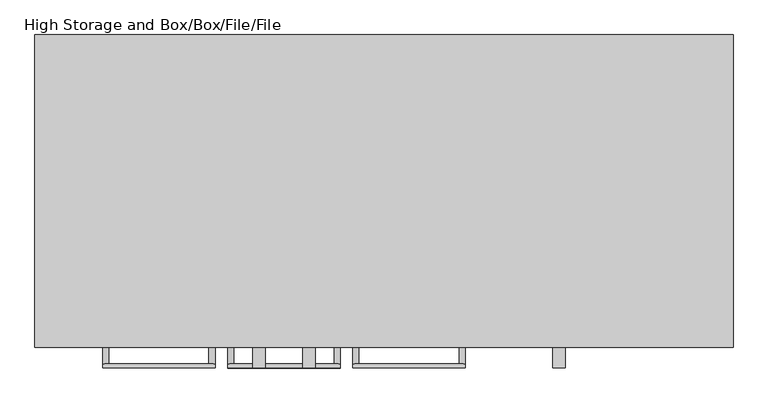
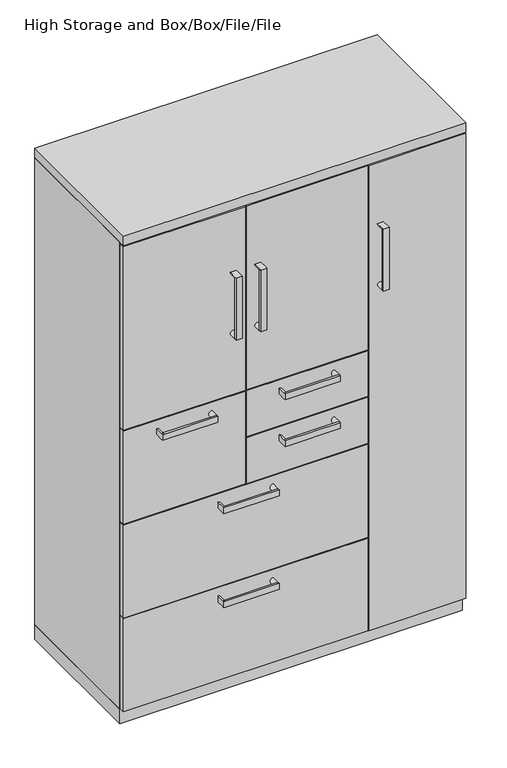
"""IFC4 building model written with IfcOpenShell, lengths in millimetres: furniture geometry, High Storage and Box/Box/File/File."""

from ifc_helpers import new_model, si_unit, frame, origin, origin_with_axes, place, context, project, spatial, polyline, circle_curve, outline, extrude, source, transform, mapped, element, save
from ifc_brep_helpers import plane_surface, cylinder_surface, advanced_brep


def high_storage_and_box_box_file_file_324f627b(model_context):
    return source(origin(), model_context, "Body", "SolidModel", [
        advanced_brep(
        [(-257.1750091, -507.9999879, 944.5625), (-428.6249909, -507.9999879, 944.5625), (-428.6249909, -507.9999879, 925.5125), (-257.1750091, -507.9999879, 925.5125), (-257.1750091, -501.6500121, 925.5125), (-428.6249909, -501.6500121, 925.5125), (-428.6249909, -501.6500121, 944.5625), (-257.1750091, -501.6500121, 944.5625), (-257.1750091, -476.25, 925.5125), (-257.1750091, -476.25, 944.5625), (-428.6249909, -476.25, 925.5125), (-428.6249909, -476.25, 944.5625)],
        [
            (0, 1),
            (1, 2),
            (2, 3),
            (3, 0),
            (4, 5),
            (5, 6, circle_curve(frame((-428.6249909, -501.6500121, 935.0375), z_axis=(0.0, -1.0, 0.0), x_axis=(1.0, 0.0, 0.0)), 9.525)),
            (6, 7),
            (7, 4, circle_curve(frame((-257.1750091, -501.6500121, 935.0375), z_axis=(0.0, -1.0, 0.0), x_axis=(-1.0, 0.0, 0.0)), 9.525)),
            (2, 5),
            (4, 3),
            (8, 9, circle_curve(frame((-257.1750091, -476.25, 935.0375), z_axis=(0.0, 1.0, 0.0), x_axis=(-1.0, 0.0, 0.0)), 9.525)),
            (9, 8),
            (8, 4),
            (7, 9),
            (7, 0),
            (10, 11),
            (11, 10, circle_curve(frame((-428.6249909, -476.25, 935.0375), z_axis=(0.0, 1.0, 0.0), x_axis=(1.0, 0.0, 0.0)), 9.525)),
            (11, 6),
            (5, 10),
            (1, 6),
        ],
        [
            plane_surface(frame((-428.6249909, -507.9999879, 944.5625), z_axis=(0.0, -1.0, 0.0), x_axis=(-1.0, 0.0, 0.0))),
            plane_surface(frame((-428.6249909, -501.6500121, 944.5625), z_axis=(0.0, 1.0, 0.0), x_axis=(1.0, 0.0, 0.0))),
            plane_surface(frame((-428.6249909, -507.9999879, 925.5125), z_axis=(0.0, 0.0, -1.0), x_axis=(0.0, 1.0, 0.0))),
            plane_surface(frame((-257.1750091, -476.25, 944.5625), z_axis=(0.0, 1.0, 0.0), x_axis=(0.0, 0.0, -1.0))),
            cylinder_surface(frame((-257.1750091, -476.25, 935.0375), z_axis=(0.0, -1.0, 0.0), x_axis=(-1.0, 0.0, 0.0)), 9.525),
            plane_surface(frame((-257.1750091, -501.6500121, 925.5125), z_axis=(1.0, 0.0, 0.0), x_axis=(0.0, 1.0, 0.0))),
            plane_surface(frame((-419.0999909, -476.25, 935.0375), z_axis=(0.0, 1.0, 0.0), x_axis=(0.0, 0.0, -1.0))),
            cylinder_surface(frame((-428.6249909, -476.25, 935.0375), z_axis=(0.0, -1.0, 0.0), x_axis=(1.0, 0.0, 0.0)), 9.525),
            plane_surface(frame((-428.6249909, -501.6500121, 944.5625), z_axis=(-1.0, 0.0, 0.0), x_axis=(0.0, 1.0, 0.0))),
            plane_surface(frame((-257.1750091, -507.9999879, 944.5625), z_axis=(0.0, 0.0, 1.0), x_axis=(0.0, 1.0, 0.0))),
        ],
        [
            (0, [[1, 2, 3, 4]]),
            (1, [[5, 6, 7, 8]]),
            (2, [[-3, 9, -5, 10]]),
            (3, [[11, 12]]),
            (4, [[-11, 13, -8, 14]]),
            (5, [[-12, -14, 15, -4, -10, -13]]),
            (6, [[16, 17]]),
            (7, [[-17, 18, -6, 19]]),
            (8, [[-16, -19, -9, -2, 20, -18]]),
            (9, [[-1, -15, -7, -20]]),
        ],
    ),
        extrude(outline(polyline([(-153.9875, -457.2), (-153.9875, -476.25), (-531.8125, -476.25), (-531.8125, -457.2), (-153.9875, -457.2)])), frame((0.0, 0.0, 666.75), z_axis=(0.0, 0.0, 1.0), x_axis=(1.0, 0.0, 0.0)), (0.0, 0.0, 1.0), 304.8),
        advanced_brep(
        [(-104.775, -476.25, 1377.95), (-123.825, -476.25, 1377.95), (-104.775, -501.6500121, 1377.95), (-123.825, -501.6500121, 1377.95), (-104.775, -476.25, 1174.75), (-123.825, -476.25, 1174.75), (-123.825, -501.6500121, 1174.75), (-104.775, -501.6500121, 1174.75), (-123.825, -507.9999879, 1174.75), (-104.775, -507.9999879, 1174.75), (-104.775, -507.9999879, 1377.95), (-123.825, -507.9999879, 1377.95)],
        [
            (0, 1, circle_curve(frame((-114.3, -476.25, 1377.95), z_axis=(0.0, 1.0, 0.0), x_axis=(0.0, 0.0, -1.0)), 9.525)),
            (1, 0),
            (0, 2),
            (2, 3, circle_curve(frame((-114.3, -501.6500121, 1377.95), z_axis=(0.0, 1.0, 0.0), x_axis=(0.0, 0.0, -1.0)), 9.525)),
            (3, 1),
            (4, 5),
            (5, 4, circle_curve(frame((-114.3, -476.25, 1174.75), z_axis=(0.0, 1.0, 0.0), x_axis=(0.0, 0.0, 1.0)), 9.525)),
            (5, 6),
            (6, 7, circle_curve(frame((-114.3, -501.6500121, 1174.75), z_axis=(0.0, 1.0, 0.0), x_axis=(0.0, 0.0, 1.0)), 9.525)),
            (7, 4),
            (8, 9),
            (9, 10),
            (10, 11),
            (11, 8),
            (6, 3),
            (2, 7),
            (11, 3),
            (6, 8),
            (10, 2),
            (9, 7),
        ],
        [
            plane_surface(frame((-114.3, -476.25, 1368.425), z_axis=(0.0, 1.0, 0.0), x_axis=(1.0, 0.0, 0.0))),
            cylinder_surface(frame((-114.3, -476.25, 1377.95), z_axis=(0.0, -1.0, 0.0), x_axis=(0.0, 0.0, -1.0)), 9.525),
            plane_surface(frame((-123.825, -476.25, 1174.75), z_axis=(0.0, 1.0, 0.0), x_axis=(1.0, 0.0, 0.0))),
            cylinder_surface(frame((-114.3, -476.25, 1174.75), z_axis=(0.0, -1.0, 0.0), x_axis=(0.0, 0.0, 1.0)), 9.525),
            plane_surface(frame((-123.825, -507.9999879, 1377.95), z_axis=(0.0, -1.0, 0.0), x_axis=(0.0, 0.0, 1.0))),
            plane_surface(frame((-123.825, -501.6500121, 1377.95), z_axis=(0.0, 1.0, 0.0), x_axis=(0.0, 0.0, -1.0))),
            plane_surface(frame((-123.825, -507.9999879, 1174.75), z_axis=(-1.0, 0.0, 0.0), x_axis=(0.0, 1.0, 0.0))),
            plane_surface(frame((-123.825, -507.9999879, 1377.95), z_axis=(0.0, 0.0, 1.0), x_axis=(0.0, 1.0, 0.0))),
            plane_surface(frame((-104.775, -507.9999879, 1377.95), z_axis=(1.0, 0.0, 0.0), x_axis=(0.0, 1.0, 0.0))),
            plane_surface(frame((-104.775, -507.9999879, 1174.75), z_axis=(0.0, 0.0, -1.0), x_axis=(0.0, 1.0, 0.0))),
        ],
        [
            (0, [[1, 2]]),
            (1, [[3, 4, 5, -1]]),
            (2, [[6, 7]]),
            (3, [[8, 9, 10, -7]]),
            (4, [[11, 12, 13, 14]]),
            (5, [[-9, 15, -4, 16]]),
            (6, [[17, -15, 18, -14]]),
            (7, [[19, -3, -2, -5, -17, -13]]),
            (8, [[20, -16, -19, -12]]),
            (9, [[-18, -8, -6, -10, -20, -11]]),
        ],
    ),
        extrude(outline(polyline([(227.0125, -476.25), (-150.8125, -476.25), (-150.8125, -457.2), (227.0125, -457.2), (227.0125, -476.25)])), frame((0.0, 0.0, 974.725), z_axis=(0.0, 0.0, 1.0), x_axis=(1.0, 0.0, 0.0)), (0.0, 0.0, 1.0), 603.25),
        advanced_brep(
        [(123.8249909, -507.9999879, 944.5625), (-47.6249909, -507.9999879, 944.5625), (-47.6249909, -507.9999879, 925.5125), (123.8249909, -507.9999879, 925.5125), (123.8249909, -501.6500121, 925.5125), (-47.6249909, -501.6500121, 925.5125), (-47.6249909, -501.6500121, 944.5625), (123.8249909, -501.6500121, 944.5625), (123.8249909, -476.25, 925.5125), (123.8249909, -476.25, 944.5625), (-47.6249909, -476.25, 925.5125), (-47.6249909, -476.25, 944.5625)],
        [
            (0, 1),
            (1, 2),
            (2, 3),
            (3, 0),
            (4, 5),
            (5, 6, circle_curve(frame((-47.6249909, -501.6500121, 935.0375), z_axis=(0.0, -1.0, 0.0), x_axis=(1.0, 0.0, 0.0)), 9.525)),
            (6, 7),
            (7, 4, circle_curve(frame((123.8249909, -501.6500121, 935.0375), z_axis=(0.0, -1.0, 0.0), x_axis=(-1.0, 0.0, 0.0)), 9.525)),
            (2, 5),
            (4, 3),
            (8, 9, circle_curve(frame((123.8249909, -476.25, 935.0375), z_axis=(0.0, 1.0, 0.0), x_axis=(-1.0, 0.0, 0.0)), 9.525)),
            (9, 8),
            (8, 4),
            (7, 9),
            (7, 0),
            (10, 11),
            (11, 10, circle_curve(frame((-47.6249909, -476.25, 935.0375), z_axis=(0.0, 1.0, 0.0), x_axis=(1.0, 0.0, 0.0)), 9.525)),
            (11, 6),
            (5, 10),
            (1, 6),
        ],
        [
            plane_surface(frame((-47.6249909, -507.9999879, 944.5625), z_axis=(0.0, -1.0, 0.0), x_axis=(-1.0, 0.0, 0.0))),
            plane_surface(frame((-47.6249909, -501.6500121, 944.5625), z_axis=(0.0, 1.0, 0.0), x_axis=(1.0, 0.0, 0.0))),
            plane_surface(frame((-47.6249909, -507.9999879, 925.5125), z_axis=(0.0, 0.0, -1.0), x_axis=(0.0, 1.0, 0.0))),
            plane_surface(frame((123.8249909, -476.25, 944.5625), z_axis=(0.0, 1.0, 0.0), x_axis=(0.0, 0.0, -1.0))),
            cylinder_surface(frame((123.8249909, -476.25, 935.0375), z_axis=(0.0, -1.0, 0.0), x_axis=(-1.0, 0.0, 0.0)), 9.525),
            plane_surface(frame((123.8249909, -501.6500121, 925.5125), z_axis=(1.0, 0.0, 0.0), x_axis=(0.0, 1.0, 0.0))),
            plane_surface(frame((-38.0999909, -476.25, 935.0375), z_axis=(0.0, 1.0, 0.0), x_axis=(0.0, 0.0, -1.0))),
            cylinder_surface(frame((-47.6249909, -476.25, 935.0375), z_axis=(0.0, -1.0, 0.0), x_axis=(1.0, 0.0, 0.0)), 9.525),
            plane_surface(frame((-47.6249909, -501.6500121, 944.5625), z_axis=(-1.0, 0.0, 0.0), x_axis=(0.0, 1.0, 0.0))),
            plane_surface(frame((123.8249909, -507.9999879, 944.5625), z_axis=(0.0, 0.0, 1.0), x_axis=(0.0, 1.0, 0.0))),
        ],
        [
            (0, [[1, 2, 3, 4]]),
            (1, [[5, 6, 7, 8]]),
            (2, [[-3, 9, -5, 10]]),
            (3, [[11, 12]]),
            (4, [[-11, 13, -8, 14]]),
            (5, [[-12, -14, 15, -4, -10, -13]]),
            (6, [[16, 17]]),
            (7, [[-17, 18, -6, 19]]),
            (8, [[-16, -19, -9, -2, 20, -18]]),
            (9, [[-1, -15, -7, -20]]),
        ],
    ),
        extrude(outline(polyline([(227.0125, -457.2), (227.0125, -476.25), (-150.8125, -476.25), (-150.8125, -457.2), (227.0125, -457.2)])), frame((0.0, 0.0, 820.7375), z_axis=(0.0, 0.0, 1.0), x_axis=(1.0, 0.0, 0.0)), (0.0, 0.0, 1.0), 150.8125),
        advanced_brep(
        [(-238.1249909, -476.25, 617.5375), (-238.1249909, -476.25, 636.5875), (-238.1249909, -501.6500121, 636.5875), (-238.1249909, -501.6500121, 617.5375), (-238.1249909, -507.9999879, 617.5375), (-238.1249909, -507.9999879, 636.5875), (-66.6750091, -476.25, 617.5375), (-66.6750091, -476.25, 636.5875), (-66.6750091, -501.6500121, 617.5375), (-66.6750091, -501.6500121, 636.5875), (-66.6750091, -507.9999879, 636.5875), (-66.6750091, -507.9999879, 617.5375)],
        [
            (0, 1),
            (1, 0, circle_curve(frame((-238.1249909, -476.25, 627.0625), z_axis=(0.0, 1.0, 0.0), x_axis=(1.0, 0.0, 0.0)), 9.525)),
            (1, 2),
            (2, 3, circle_curve(frame((-238.1249909, -501.6500121, 627.0625), z_axis=(0.0, 1.0, 0.0), x_axis=(1.0, 0.0, 0.0)), 9.525)),
            (3, 0),
            (3, 4),
            (4, 5),
            (5, 2),
            (6, 7, circle_curve(frame((-66.6750091, -476.25, 627.0625), z_axis=(0.0, 1.0, 0.0), x_axis=(-1.0, 0.0, 0.0)), 9.525)),
            (7, 6),
            (6, 8),
            (8, 9, circle_curve(frame((-66.6750091, -501.6500121, 627.0625), z_axis=(0.0, 1.0, 0.0), x_axis=(-1.0, 0.0, 0.0)), 9.525)),
            (9, 7),
            (9, 10),
            (10, 11),
            (11, 8),
            (10, 5),
            (4, 11),
            (8, 3),
            (2, 9),
        ],
        [
            plane_surface(frame((-228.5999909, -476.25, 627.0625), z_axis=(0.0, 1.0, 0.0), x_axis=(0.0, 0.0, -1.0))),
            cylinder_surface(frame((-238.1249909, -476.25, 627.0625), z_axis=(0.0, -1.0, 0.0), x_axis=(1.0, 0.0, 0.0)), 9.525),
            plane_surface(frame((-238.1249909, -501.6500121, 636.5875), z_axis=(-1.0, 0.0, 0.0), x_axis=(0.0, 1.0, 0.0))),
            plane_surface(frame((-66.6750091, -476.25, 636.5875), z_axis=(0.0, 1.0, 0.0), x_axis=(0.0, 0.0, -1.0))),
            cylinder_surface(frame((-66.6750091, -476.25, 627.0625), z_axis=(0.0, -1.0, 0.0), x_axis=(-1.0, 0.0, 0.0)), 9.525),
            plane_surface(frame((-66.6750091, -501.6500121, 617.5375), z_axis=(1.0, 0.0, 0.0), x_axis=(0.0, 1.0, 0.0))),
            plane_surface(frame((-238.1249909, -507.9999879, 636.5875), z_axis=(0.0, -1.0, 0.0), x_axis=(-1.0, 0.0, 0.0))),
            plane_surface(frame((-238.1249909, -501.6500121, 636.5875), z_axis=(0.0, 1.0, 0.0), x_axis=(1.0, 0.0, 0.0))),
            plane_surface(frame((-238.1249909, -507.9999879, 617.5375), z_axis=(0.0, 0.0, -1.0), x_axis=(0.0, 1.0, 0.0))),
            plane_surface(frame((-66.6750091, -507.9999879, 636.5875), z_axis=(0.0, 0.0, 1.0), x_axis=(0.0, 1.0, 0.0))),
        ],
        [
            (0, [[1, 2]]),
            (1, [[-2, 3, 4, 5]]),
            (2, [[-1, -5, 6, 7, 8, -3]]),
            (3, [[9, 10]]),
            (4, [[-9, 11, 12, 13]]),
            (5, [[-10, -13, 14, 15, 16, -11]]),
            (6, [[17, -7, 18, -15]]),
            (7, [[19, -4, 20, -12]]),
            (8, [[-18, -6, -19, -16]]),
            (9, [[-17, -14, -20, -8]]),
        ],
    ),
        extrude(outline(polyline([(227.0125, -457.2), (227.0125, -476.25), (-531.8125, -476.25), (-531.8125, -457.2), (227.0125, -457.2)])), frame((0.0, 0.0, 358.775), z_axis=(0.0, 0.0, 1.0), x_axis=(1.0, 0.0, 0.0)), (0.0, 0.0, 1.0), 304.8),
        advanced_brep(
        [(-200.025, -476.25, 1377.95), (-180.975, -476.25, 1377.95), (-180.975, -501.6500121, 1377.95), (-200.025, -501.6500121, 1377.95), (-200.025, -476.25, 1174.75), (-180.975, -476.25, 1174.75), (-200.025, -501.6500121, 1174.75), (-180.975, -501.6500121, 1174.75), (-180.975, -507.9999879, 1174.75), (-180.975, -507.9999879, 1377.95), (-200.025, -507.9999879, 1377.95), (-200.025, -507.9999879, 1174.75)],
        [
            (0, 1),
            (1, 0, circle_curve(frame((-190.5, -476.25, 1377.95), z_axis=(0.0, 1.0, 0.0), x_axis=(0.0, 0.0, -1.0)), 9.525)),
            (1, 2),
            (2, 3, circle_curve(frame((-190.5, -501.6500121, 1377.95), z_axis=(0.0, 1.0, 0.0), x_axis=(0.0, 0.0, -1.0)), 9.525)),
            (3, 0),
            (4, 5, circle_curve(frame((-190.5, -476.25, 1174.75), z_axis=(0.0, 1.0, 0.0), x_axis=(0.0, 0.0, 1.0)), 9.525)),
            (5, 4),
            (4, 6),
            (6, 7, circle_curve(frame((-190.5, -501.6500121, 1174.75), z_axis=(0.0, 1.0, 0.0), x_axis=(0.0, 0.0, 1.0)), 9.525)),
            (7, 5),
            (8, 9),
            (9, 10),
            (10, 11),
            (11, 8),
            (6, 3),
            (2, 7),
            (8, 7),
            (2, 9),
            (3, 10),
            (6, 11),
        ],
        [
            plane_surface(frame((-190.5, -476.25, 1368.425), z_axis=(0.0, 1.0, 0.0), x_axis=(-1.0, 0.0, 0.0))),
            cylinder_surface(frame((-190.5, -476.25, 1377.95), z_axis=(0.0, -1.0, 0.0), x_axis=(0.0, 0.0, -1.0)), 9.525),
            plane_surface(frame((-180.975, -476.25, 1174.75), z_axis=(0.0, 1.0, 0.0), x_axis=(-1.0, 0.0, 0.0))),
            cylinder_surface(frame((-190.5, -476.25, 1174.75), z_axis=(0.0, -1.0, 0.0), x_axis=(0.0, 0.0, 1.0)), 9.525),
            plane_surface(frame((-180.975, -507.9999879, 1377.95), z_axis=(0.0, -1.0, 0.0), x_axis=(0.0, 0.0, 1.0))),
            plane_surface(frame((-180.975, -501.6500121, 1377.95), z_axis=(0.0, 1.0, 0.0), x_axis=(0.0, 0.0, -1.0))),
            plane_surface(frame((-180.975, -507.9999879, 1174.75), z_axis=(1.0, 0.0, 0.0), x_axis=(0.0, 1.0, 0.0))),
            plane_surface(frame((-180.975, -507.9999879, 1377.95), z_axis=(0.0, 0.0, 1.0), x_axis=(0.0, 1.0, 0.0))),
            plane_surface(frame((-200.025, -507.9999879, 1377.95), z_axis=(-1.0, 0.0, 0.0), x_axis=(0.0, 1.0, 0.0))),
            plane_surface(frame((-200.025, -507.9999879, 1174.75), z_axis=(0.0, 0.0, -1.0), x_axis=(0.0, 1.0, 0.0))),
        ],
        [
            (0, [[1, 2]]),
            (1, [[-2, 3, 4, 5]]),
            (2, [[6, 7]]),
            (3, [[-6, 8, 9, 10]]),
            (4, [[11, 12, 13, 14]]),
            (5, [[15, -4, 16, -9]]),
            (6, [[-11, 17, -16, 18]]),
            (7, [[-12, -18, -3, -1, -5, 19]]),
            (8, [[-13, -19, -15, 20]]),
            (9, [[-14, -20, -8, -7, -10, -17]]),
        ],
    ),
        extrude(outline(polyline([(-531.8125, -476.25), (-531.8125, -457.2), (-153.9875, -457.2), (-153.9875, -476.25), (-531.8125, -476.25)])), frame((0.0, 0.0, 974.725), z_axis=(0.0, 0.0, 1.0), x_axis=(1.0, 0.0, 0.0)), (0.0, 0.0, 1.0), 603.25),
        advanced_brep(
        [(123.8249909, -507.9999879, 790.575), (-47.6249909, -507.9999879, 790.575), (-47.6249909, -507.9999879, 771.525), (123.8249909, -507.9999879, 771.525), (123.8249909, -501.6500121, 771.525), (-47.6249909, -501.6500121, 771.525), (-47.6249909, -501.6500121, 790.575), (123.8249909, -501.6500121, 790.575), (123.8249909, -476.25, 771.525), (123.8249909, -476.25, 790.575), (-47.6249909, -476.25, 771.525), (-47.6249909, -476.25, 790.575)],
        [
            (0, 1),
            (1, 2),
            (2, 3),
            (3, 0),
            (4, 5),
            (5, 6, circle_curve(frame((-47.6249909, -501.6500121, 781.05), z_axis=(0.0, -1.0, 0.0), x_axis=(1.0, 0.0, 0.0)), 9.525)),
            (6, 7),
            (7, 4, circle_curve(frame((123.8249909, -501.6500121, 781.05), z_axis=(0.0, -1.0, 0.0), x_axis=(-1.0, 0.0, 0.0)), 9.525)),
            (2, 5),
            (4, 3),
            (8, 9, circle_curve(frame((123.8249909, -476.25, 781.05), z_axis=(0.0, 1.0, 0.0), x_axis=(-1.0, 0.0, 0.0)), 9.525)),
            (9, 8),
            (8, 4),
            (7, 9),
            (7, 0),
            (10, 11),
            (11, 10, circle_curve(frame((-47.6249909, -476.25, 781.05), z_axis=(0.0, 1.0, 0.0), x_axis=(1.0, 0.0, 0.0)), 9.525)),
            (11, 6),
            (5, 10),
            (1, 6),
        ],
        [
            plane_surface(frame((-47.6249909, -507.9999879, 790.575), z_axis=(0.0, -1.0, 0.0), x_axis=(-1.0, 0.0, 0.0))),
            plane_surface(frame((-47.6249909, -501.6500121, 790.575), z_axis=(0.0, 1.0, 0.0), x_axis=(1.0, 0.0, 0.0))),
            plane_surface(frame((-47.6249909, -507.9999879, 771.525), z_axis=(0.0, 0.0, -1.0), x_axis=(0.0, 1.0, 0.0))),
            plane_surface(frame((123.8249909, -476.25, 790.575), z_axis=(0.0, 1.0, 0.0), x_axis=(0.0, 0.0, -1.0))),
            cylinder_surface(frame((123.8249909, -476.25, 781.05), z_axis=(0.0, -1.0, 0.0), x_axis=(-1.0, 0.0, 0.0)), 9.525),
            plane_surface(frame((123.8249909, -501.6500121, 771.525), z_axis=(1.0, 0.0, 0.0), x_axis=(0.0, 1.0, 0.0))),
            plane_surface(frame((-38.0999909, -476.25, 781.05), z_axis=(0.0, 1.0, 0.0), x_axis=(0.0, 0.0, -1.0))),
            cylinder_surface(frame((-47.6249909, -476.25, 781.05), z_axis=(0.0, -1.0, 0.0), x_axis=(1.0, 0.0, 0.0)), 9.525),
            plane_surface(frame((-47.6249909, -501.6500121, 790.575), z_axis=(-1.0, 0.0, 0.0), x_axis=(0.0, 1.0, 0.0))),
            plane_surface(frame((123.8249909, -507.9999879, 790.575), z_axis=(0.0, 0.0, 1.0), x_axis=(0.0, 1.0, 0.0))),
        ],
        [
            (0, [[1, 2, 3, 4]]),
            (1, [[5, 6, 7, 8]]),
            (2, [[-3, 9, -5, 10]]),
            (3, [[11, 12]]),
            (4, [[-11, 13, -8, 14]]),
            (5, [[-12, -14, 15, -4, -10, -13]]),
            (6, [[16, 17]]),
            (7, [[-17, 18, -6, 19]]),
            (8, [[-16, -19, -9, -2, 20, -18]]),
            (9, [[-1, -15, -7, -20]]),
        ],
    ),
        extrude(outline(polyline([(227.0125, -457.2), (227.0125, -476.25), (-150.8125, -476.25), (-150.8125, -457.2), (227.0125, -457.2)])), frame((0.0, 0.0, 666.75), z_axis=(0.0, 0.0, 1.0), x_axis=(1.0, 0.0, 0.0)), (0.0, 0.0, 1.0), 150.8125),
        advanced_brep(
        [(276.225, -476.25, 1377.95), (257.175, -476.25, 1377.95), (276.225, -501.6500121, 1377.95), (257.175, -501.6500121, 1377.95), (276.225, -476.25, 1174.75), (257.175, -476.25, 1174.75), (257.175, -501.6500121, 1174.75), (276.225, -501.6500121, 1174.75), (257.175, -507.9999879, 1174.75), (276.225, -507.9999879, 1174.75), (276.225, -507.9999879, 1377.95), (257.175, -507.9999879, 1377.95)],
        [
            (0, 1, circle_curve(frame((266.7, -476.25, 1377.95), z_axis=(0.0, 1.0, 0.0), x_axis=(0.0, 0.0, -1.0)), 9.525)),
            (1, 0),
            (0, 2),
            (2, 3, circle_curve(frame((266.7, -501.6500121, 1377.95), z_axis=(0.0, 1.0, 0.0), x_axis=(0.0, 0.0, -1.0)), 9.525)),
            (3, 1),
            (4, 5),
            (5, 4, circle_curve(frame((266.7, -476.25, 1174.75), z_axis=(0.0, 1.0, 0.0), x_axis=(0.0, 0.0, 1.0)), 9.525)),
            (5, 6),
            (6, 7, circle_curve(frame((266.7, -501.6500121, 1174.75), z_axis=(0.0, 1.0, 0.0), x_axis=(0.0, 0.0, 1.0)), 9.525)),
            (7, 4),
            (8, 9),
            (9, 10),
            (10, 11),
            (11, 8),
            (6, 3),
            (2, 7),
            (11, 3),
            (6, 8),
            (10, 2),
            (9, 7),
        ],
        [
            plane_surface(frame((266.7, -476.25, 1368.425), z_axis=(0.0, 1.0, 0.0), x_axis=(1.0, 0.0, 0.0))),
            cylinder_surface(frame((266.7, -476.25, 1377.95), z_axis=(0.0, -1.0, 0.0), x_axis=(0.0, 0.0, -1.0)), 9.525),
            plane_surface(frame((257.175, -476.25, 1174.75), z_axis=(0.0, 1.0, 0.0), x_axis=(1.0, 0.0, 0.0))),
            cylinder_surface(frame((266.7, -476.25, 1174.75), z_axis=(0.0, -1.0, 0.0), x_axis=(0.0, 0.0, 1.0)), 9.525),
            plane_surface(frame((257.175, -507.9999879, 1377.95), z_axis=(0.0, -1.0, 0.0), x_axis=(0.0, 0.0, 1.0))),
            plane_surface(frame((257.175, -501.6500121, 1377.95), z_axis=(0.0, 1.0, 0.0), x_axis=(0.0, 0.0, -1.0))),
            plane_surface(frame((257.175, -507.9999879, 1174.75), z_axis=(-1.0, 0.0, 0.0), x_axis=(0.0, 1.0, 0.0))),
            plane_surface(frame((257.175, -507.9999879, 1377.95), z_axis=(0.0, 0.0, 1.0), x_axis=(0.0, 1.0, 0.0))),
            plane_surface(frame((276.225, -507.9999879, 1377.95), z_axis=(1.0, 0.0, 0.0), x_axis=(0.0, 1.0, 0.0))),
            plane_surface(frame((276.225, -507.9999879, 1174.75), z_axis=(0.0, 0.0, -1.0), x_axis=(0.0, 1.0, 0.0))),
        ],
        [
            (0, [[1, 2]]),
            (1, [[3, 4, 5, -1]]),
            (2, [[6, 7]]),
            (3, [[8, 9, 10, -7]]),
            (4, [[11, 12, 13, 14]]),
            (5, [[-9, 15, -4, 16]]),
            (6, [[17, -15, 18, -14]]),
            (7, [[19, -3, -2, -5, -17, -13]]),
            (8, [[20, -16, -19, -12]]),
            (9, [[-18, -8, -6, -10, -20, -11]]),
        ],
    ),
        extrude(outline(polyline([(531.8125, -476.25), (230.1875, -476.25), (230.1875, -457.2), (531.8125, -457.2), (531.8125, -476.25)])), frame((0.0, 0.0, 50.8), z_axis=(0.0, 0.0, 1.0), x_axis=(1.0, 0.0, 0.0)), (0.0, 0.0, 1.0), 1527.175),
        advanced_brep(
        [(-238.1249909, -476.25, 309.5625), (-238.1249909, -476.25, 328.6125), (-238.1249909, -501.6500121, 328.6125), (-238.1249909, -501.6500121, 309.5625), (-238.1249909, -507.9999879, 309.5625), (-238.1249909, -507.9999879, 328.6125), (-66.6750091, -476.25, 309.5625), (-66.6750091, -476.25, 328.6125), (-66.6750091, -501.6500121, 309.5625), (-66.6750091, -501.6500121, 328.6125), (-66.6750091, -507.9999879, 328.6125), (-66.6750091, -507.9999879, 309.5625)],
        [
            (0, 1),
            (1, 0, circle_curve(frame((-238.1249909, -476.25, 319.0875), z_axis=(0.0, 1.0, 0.0), x_axis=(1.0, 0.0, 0.0)), 9.525)),
            (1, 2),
            (2, 3, circle_curve(frame((-238.1249909, -501.6500121, 319.0875), z_axis=(0.0, 1.0, 0.0), x_axis=(1.0, 0.0, 0.0)), 9.525)),
            (3, 0),
            (3, 4),
            (4, 5),
            (5, 2),
            (6, 7, circle_curve(frame((-66.6750091, -476.25, 319.0875), z_axis=(0.0, 1.0, 0.0), x_axis=(-1.0, 0.0, 0.0)), 9.525)),
            (7, 6),
            (6, 8),
            (8, 9, circle_curve(frame((-66.6750091, -501.6500121, 319.0875), z_axis=(0.0, 1.0, 0.0), x_axis=(-1.0, 0.0, 0.0)), 9.525)),
            (9, 7),
            (9, 10),
            (10, 11),
            (11, 8),
            (10, 5),
            (4, 11),
            (8, 3),
            (2, 9),
        ],
        [
            plane_surface(frame((-228.5999909, -476.25, 319.0875), z_axis=(0.0, 1.0, 0.0), x_axis=(0.0, 0.0, -1.0))),
            cylinder_surface(frame((-238.1249909, -476.25, 319.0875), z_axis=(0.0, -1.0, 0.0), x_axis=(1.0, 0.0, 0.0)), 9.525),
            plane_surface(frame((-238.1249909, -501.6500121, 328.6125), z_axis=(-1.0, 0.0, 0.0), x_axis=(0.0, 1.0, 0.0))),
            plane_surface(frame((-66.6750091, -476.25, 328.6125), z_axis=(0.0, 1.0, 0.0), x_axis=(0.0, 0.0, -1.0))),
            cylinder_surface(frame((-66.6750091, -476.25, 319.0875), z_axis=(0.0, -1.0, 0.0), x_axis=(-1.0, 0.0, 0.0)), 9.525),
            plane_surface(frame((-66.6750091, -501.6500121, 309.5625), z_axis=(1.0, 0.0, 0.0), x_axis=(0.0, 1.0, 0.0))),
            plane_surface(frame((-238.1249909, -507.9999879, 328.6125), z_axis=(0.0, -1.0, 0.0), x_axis=(-1.0, 0.0, 0.0))),
            plane_surface(frame((-238.1249909, -501.6500121, 328.6125), z_axis=(0.0, 1.0, 0.0), x_axis=(1.0, 0.0, 0.0))),
            plane_surface(frame((-238.1249909, -507.9999879, 309.5625), z_axis=(0.0, 0.0, -1.0), x_axis=(0.0, 1.0, 0.0))),
            plane_surface(frame((-66.6750091, -507.9999879, 328.6125), z_axis=(0.0, 0.0, 1.0), x_axis=(0.0, 1.0, 0.0))),
        ],
        [
            (0, [[1, 2]]),
            (1, [[-2, 3, 4, 5]]),
            (2, [[-1, -5, 6, 7, 8, -3]]),
            (3, [[9, 10]]),
            (4, [[-9, 11, 12, 13]]),
            (5, [[-10, -13, 14, 15, 16, -11]]),
            (6, [[17, -7, 18, -15]]),
            (7, [[19, -4, 20, -12]]),
            (8, [[-18, -6, -19, -16]]),
            (9, [[-17, -14, -20, -8]]),
        ],
    ),
        extrude(outline(polyline([(227.0125, -457.2), (227.0125, -476.25), (-531.8125, -476.25), (-531.8125, -457.2), (227.0125, -457.2)])), frame((0.0, 0.0, 50.8), z_axis=(0.0, 0.0, 1.0), x_axis=(1.0, 0.0, 0.0)), (0.0, 0.0, 1.0), 304.8),
        extrude(outline(polyline([(227.0125, -19.05), (227.0125, -457.2), (207.9625, -457.2), (207.9625, -19.05), (227.0125, -19.05)])), frame((0.0, 0.0, 47.625), z_axis=(0.0, 0.0, 1.0), x_axis=(1.0, 0.0, 0.0)), (0.0, 0.0, 1.0), 1533.525),
        extrude(outline(polyline([(531.8125, 0.0), (531.8125, -457.2), (512.7625, -457.2), (512.7625, -19.05), (-512.7625, -19.05), (-512.7625, -457.2), (-531.8125, -457.2), (-531.8125, 0.0), (531.8125, 0.0)])), frame((0.0, 0.0, 47.625), z_axis=(0.0, 0.0, 1.0), x_axis=(1.0, 0.0, 0.0)), (0.0, 0.0, 1.0), 1533.525),
        extrude(outline(polyline([(531.8125, 0.0), (531.8125, -476.25), (-531.8125, -476.25), (-531.8125, 0.0), (531.8125, 0.0)])), frame((0.0, 0.0, 1581.15), z_axis=(0.0, 0.0, 1.0), x_axis=(1.0, 0.0, 0.0)), (0.0, 0.0, 1.0), 31.75),
        extrude(outline(polyline([(531.8125, 0.0), (531.8125, -457.2), (-531.8125, -457.2), (-531.8125, 0.0), (531.8125, 0.0)])), origin_with_axes(), (0.0, 0.0, 1.0), 47.625),
    ])


if __name__ == "__main__":
    model = new_model("IFC4")
    model_context = context("Model", 3, world=origin())
    ifc_project = project(units=[si_unit("LENGTHUNIT", "METRE", prefix="MILLI")], contexts=[model_context])
    site = spatial("IfcSite", under=ifc_project)
    building = spatial("IfcBuilding", under=site)
    placement = place(None, origin())
    high_storage_and_box_box_file_file_shape = high_storage_and_box_box_file_file_324f627b(model_context)
    element("IfcFurniture", 1, ObjectType="High Storage and Box/Box/File/File", at=placement, inside=building, context=model_context, shape_type="MappedRepresentation", body=[
        mapped(high_storage_and_box_box_file_file_shape, transform((0.0, 0.0, 0.0), x_axis=(1.0, 0.0, 0.0), y_axis=(0.0, 1.0, 0.0), z_axis=(0.0, 0.0, 1.0))),
    ])
    save(model, "model.ifc")
